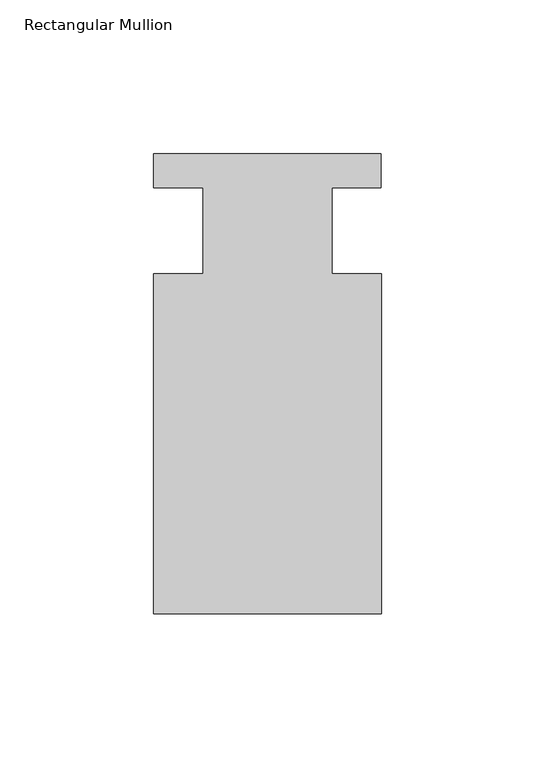
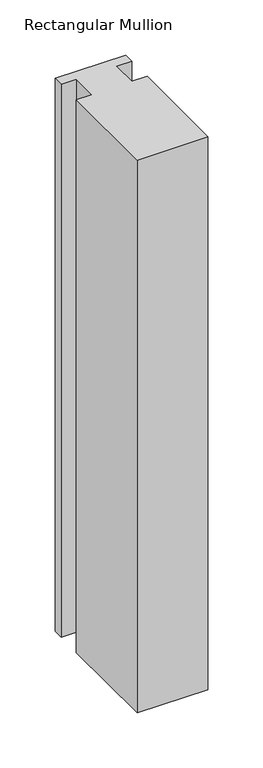
"""IFC4 building model written with IfcOpenShell, lengths in millimetres: member geometry, Rectangular Mullion."""

from ifc_helpers import new_model, si_unit, frame, origin, place, context, project, spatial, polyline, outline, extrude, source, transform, mapped, element, save


def rectangular_mullion_6c2ca75c(model_context):
    return source(origin(), model_context, "Body", "SweptSolid", [
        extrude(outline(polyline([(-20.9800745, -13.9998907), (-20.9800745, 14.0), (-37.0, 14.0), (-37.0, 25.0), (36.9800745, 25.0), (36.9800745, 14.0), (20.9800745, 14.0), (20.9800745, -13.9998907), (37.0, -13.9998907), (37.0, -124.5), (-37.0, -124.5), (-37.0, -13.9998907), (-20.9800745, -13.9998907)])), frame((0.0, 0.0, -613.1783258), z_axis=(0.0, 0.0, 1.0), x_axis=(1.0, 0.0, 0.0)), (0.0, 0.0, 1.0), 613.1783258),
    ])


if __name__ == "__main__":
    model = new_model("IFC4")
    model_context = context("Model", 3, world=origin())
    ifc_project = project(units=[si_unit("LENGTHUNIT", "METRE", prefix="MILLI")], contexts=[model_context])
    site = spatial("IfcSite", under=ifc_project)
    building = spatial("IfcBuilding", under=site)
    placement = place(None, origin())
    rectangular_mullion_shape = rectangular_mullion_6c2ca75c(model_context)
    element("IfcMember", 1, ObjectType="Rectangular Mullion", at=placement, inside=building, context=model_context, shape_type="MappedRepresentation", body=[
        mapped(rectangular_mullion_shape, transform((0.0, 0.0, 0.0), x_axis=(1.0, 0.0, 0.0), y_axis=(0.0, 1.0, 0.0), z_axis=(0.0, 0.0, 1.0))),
    ])
    save(model, "model.ifc")
